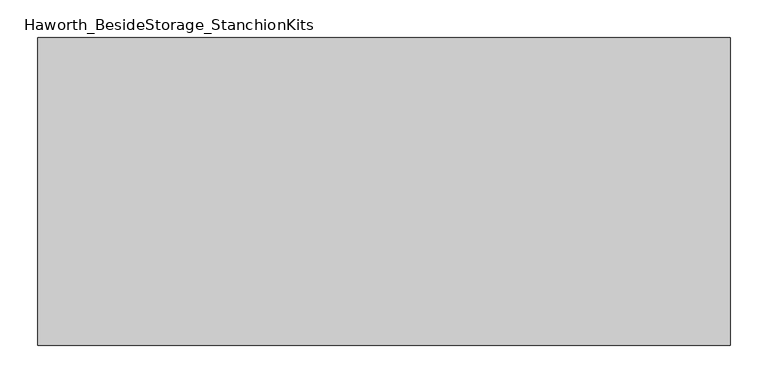
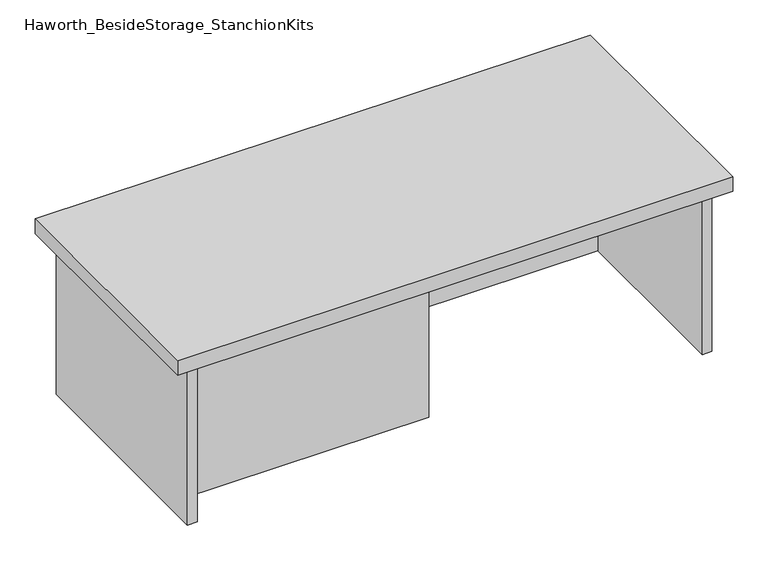
"""IFC4 building model written with IfcOpenShell, lengths in millimetres: furniture geometry, Haworth_BesideStorage_StanchionKits."""

from ifc_helpers import new_model, si_unit, frame, origin, place, context, project, spatial, polyline, outline, extrude, source, transform, mapped, element, save


def haworth_besidestorage_stanchionkits_f2add448(model_context):
    return source(origin(), model_context, "Body", "SweptSolid", [
        extrude(outline(polyline([(619.125, 0.0), (619.125, -406.4), (-295.275, -406.4), (-295.275, 0.0), (619.125, 0.0)])), frame((0.0, 0.0, 711.2), z_axis=(0.0, 0.0, 1.0), x_axis=(1.0, 0.0, 0.0)), (0.0, 0.0, 1.0), 25.4),
        extrude(outline(polyline([(161.925, -76.2), (577.85, -76.2), (577.85, -92.075), (161.925, -92.075), (161.925, -76.2)])), frame((0.0, 0.0, 431.8), z_axis=(0.0, 0.0, 1.0), x_axis=(1.0, 0.0, 0.0)), (0.0, 0.0, 1.0), 279.4),
        extrude(outline(polyline([(161.925, -314.325), (161.925, -330.2), (-254.0, -330.2), (-254.0, -314.325), (161.925, -314.325)])), frame((0.0, 0.0, 431.8), z_axis=(0.0, 0.0, 1.0), x_axis=(1.0, 0.0, 0.0)), (0.0, 0.0, 1.0), 279.4),
        extrude(outline(polyline([(593.725, -390.525), (577.85, -390.525), (577.85, -15.875), (593.725, -15.875), (593.725, -390.525)])), frame((0.0, 0.0, 431.8), z_axis=(0.0, 0.0, 1.0), x_axis=(1.0, 0.0, 0.0)), (0.0, 0.0, 1.0), 279.4),
        extrude(outline(polyline([(-254.0, -390.525), (-269.875, -390.525), (-269.875, -15.875), (-254.0, -15.875), (-254.0, -390.525)])), frame((0.0, 0.0, 431.8), z_axis=(0.0, 0.0, 1.0), x_axis=(1.0, 0.0, 0.0)), (0.0, 0.0, 1.0), 279.4),
    ])


if __name__ == "__main__":
    model = new_model("IFC4")
    model_context = context("Model", 3, world=origin())
    ifc_project = project(units=[si_unit("LENGTHUNIT", "METRE", prefix="MILLI")], contexts=[model_context])
    site = spatial("IfcSite", under=ifc_project)
    building = spatial("IfcBuilding", under=site)
    placement = place(None, origin())
    haworth_besidestorage_stanchionkits_shape = haworth_besidestorage_stanchionkits_f2add448(model_context)
    element("IfcFurniture", 1, ObjectType="Haworth_BesideStorage_StanchionKits", at=placement, inside=building, context=model_context, shape_type="MappedRepresentation", body=[
        mapped(haworth_besidestorage_stanchionkits_shape, transform((0.0, 0.0, 0.0), x_axis=(1.0, 0.0, 0.0), y_axis=(0.0, 1.0, 0.0), z_axis=(0.0, 0.0, 1.0))),
    ])
    save(model, "model.ifc")
